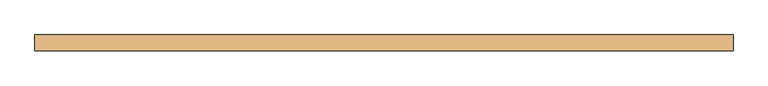
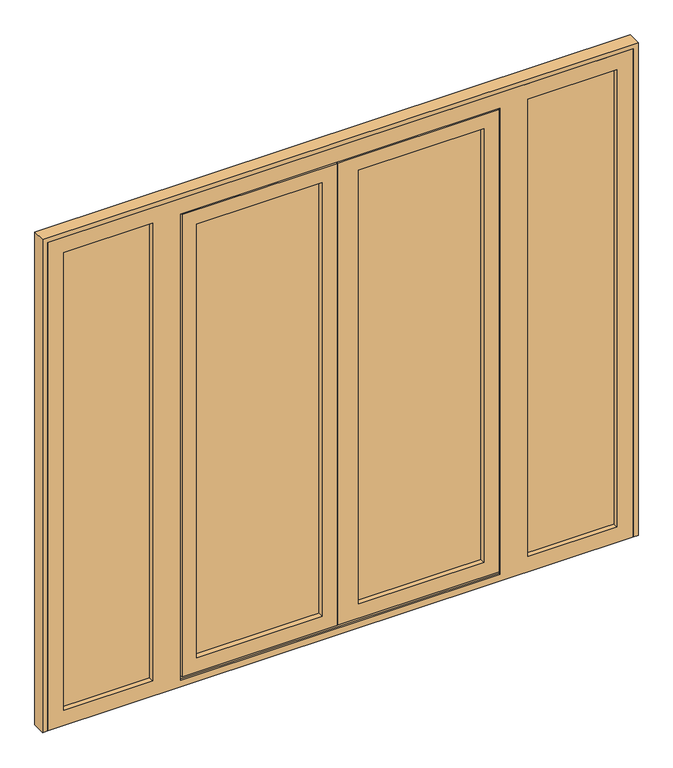
"""IFC4 building model written with IfcOpenShell, lengths in millimetres: door geometry."""

from ifc_helpers import new_model, si_unit, frame, origin, place, context, project, spatial, polyline, outline, extrude, faceted_brep, source, transform, mapped, element, save


def door_e212bdf9(model_context):
    return source(origin(), model_context, "Body", "SolidModel", [
        extrude(outline(polyline([(69.0, 68.0), (-471.5, 68.0), (-471.5, 91.0), (69.0, 91.0), (69.0, 68.0)])), frame((0.0, 0.0, 84.0), z_axis=(0.0, 0.0, 1.0), x_axis=(1.0, 0.0, 0.0)), (0.0, 0.0, 1.0), 1884.0),
        extrude(outline(polyline([(721.5, 68.0), (181.0, 68.0), (181.0, 91.0), (721.5, 91.0), (721.5, 68.0)])), frame((0.0, 0.0, 84.0), z_axis=(0.0, 0.0, 1.0), x_axis=(1.0, 0.0, 0.0)), (0.0, 0.0, 1.0), 1884.0),
        extrude(outline(polyline([(1258.0, 68.0), (863.5, 68.0), (863.5, 91.0), (1258.0, 91.0), (1258.0, 68.0)])), frame((0.0, 0.0, 47.0), z_axis=(0.0, 0.0, 1.0), x_axis=(1.0, 0.0, 0.0)), (0.0, 0.0, 1.0), 1986.0),
        extrude(outline(polyline([(-613.5, 68.0), (-1008.0, 68.0), (-1008.0, 91.0), (-613.5, 91.0), (-613.5, 68.0)])), frame((0.0, 0.0, 47.0), z_axis=(0.0, 0.0, 1.0), x_axis=(1.0, 0.0, 0.0)), (0.0, 0.0, 1.0), 1986.0),
        faceted_brep([(-536.5, 92.0, 19.0), (-536.5, 100.0, 19.0), (134.0, 100.0, 19.0), (134.0, 92.0, 19.0), (-518.5, 92.0, 19.0), (-518.5, 54.0, 19.0), (-527.5, 54.0, 19.0), (-527.5, 92.0, 19.0), (786.5, 92.0, 19.0), (777.5, 92.0, 19.0), (777.5, 54.0, 19.0), (768.5, 54.0, 19.0), (768.5, 92.0, 19.0), (139.0, 92.0, 19.0), (139.0, 100.0, 19.0), (786.5, 100.0, 19.0), (-536.5, 92.0, 2033.0), (-536.5, 100.0, 2033.0), (134.0, 100.0, 2033.0), (-453.5, 100.0, 1950.0), (-453.5, 100.0, 102.0), (51.0, 100.0, 102.0), (51.0, 100.0, 1950.0), (786.5, 100.0, 2033.0), (139.0, 100.0, 2033.0), (703.5, 100.0, 102.0), (703.5, 100.0, 1950.0), (199.0, 100.0, 1950.0), (199.0, 100.0, 102.0), (-453.5, 91.0, 1950.0), (-453.5, 91.0, 102.0), (-471.5, 91.0, 1968.0), (-471.5, 91.0, 84.0), (69.0, 91.0, 84.0), (69.0, 91.0, 1968.0), (51.0, 91.0, 1950.0), (51.0, 91.0, 102.0), (721.5, 91.0, 84.0), (721.5, 91.0, 1968.0), (181.0, 91.0, 1968.0), (181.0, 91.0, 84.0), (703.5, 91.0, 1950.0), (703.5, 91.0, 102.0), (199.0, 91.0, 102.0), (199.0, 91.0, 1950.0), (-471.5, 68.0, 1968.0), (-471.5, 68.0, 84.0), (69.0, 68.0, 1968.0), (69.0, 68.0, 84.0), (-453.5, 68.0, 1950.0), (-453.5, 68.0, 102.0), (51.0, 68.0, 102.0), (51.0, 68.0, 1950.0), (721.5, 68.0, 1968.0), (721.5, 68.0, 84.0), (181.0, 68.0, 84.0), (181.0, 68.0, 1968.0), (703.5, 68.0, 102.0), (703.5, 68.0, 1950.0), (199.0, 68.0, 1950.0), (199.0, 68.0, 102.0), (-453.5, 46.0, 1950.0), (-453.5, 46.0, 102.0), (-513.5, 46.0, 2010.0), (-513.5, 46.0, 42.0), (111.0, 46.0, 42.0), (111.0, 46.0, 2010.0), (51.0, 46.0, 1950.0), (51.0, 46.0, 102.0), (763.5, 46.0, 42.0), (763.5, 46.0, 2010.0), (116.0, 46.0, 2010.0), (116.0, 46.0, 42.0), (703.5, 46.0, 1950.0), (703.5, 46.0, 102.0), (199.0, 46.0, 102.0), (199.0, 46.0, 1950.0), (-513.5, 54.0, 2010.0), (-513.5, 54.0, 42.0), (777.5, 54.0, 2024.0), (-527.5, 54.0, 2024.0), (-518.5, 54.0, 28.0), (768.5, 54.0, 28.0), (763.5, 54.0, 2010.0), (763.5, 54.0, 42.0), (116.0, 54.0, 42.0), (116.0, 54.0, 2010.0), (111.0, 54.0, 42.0), (111.0, 54.0, 2010.0), (-527.5, 92.0, 2024.0), (134.0, 92.0, 2024.0), (134.0, 92.0, 2033.0), (777.5, 92.0, 2024.0), (786.5, 92.0, 2033.0), (139.0, 92.0, 2033.0), (139.0, 92.0, 2024.0), (768.5, 92.0, 28.0), (-518.5, 92.0, 28.0), (134.0, 92.0, 28.0), (139.0, 92.0, 28.0)], [[[0, 1, 2, 3, 4, 5, 6, 7]], [[8, 9, 10, 11, 12, 13, 14, 15]], [[1, 0, 16, 17]], [[1, 17, 18, 2], [19, 20, 21, 22]], [[23, 15, 14, 24], [25, 26, 27, 28]], [[19, 29, 30, 20]], [[31, 32, 33, 34], [30, 29, 35, 36]], [[37, 38, 39, 40], [41, 42, 43, 44]], [[31, 45, 46, 32]], [[46, 45, 47, 48], [49, 50, 51, 52]], [[53, 54, 55, 56], [57, 58, 59, 60]], [[49, 61, 62, 50]], [[63, 64, 65, 66], [62, 61, 67, 68]], [[69, 70, 71, 72], [73, 74, 75, 76]], [[63, 77, 78, 64]], [[10, 79, 80, 6, 5, 81, 82, 11], [83, 84, 85, 86], [87, 78, 77, 88]], [[7, 6, 80, 89]], [[0, 7, 89, 90, 91, 16]], [[92, 9, 8, 93, 94, 95]], [[17, 16, 91, 18]], [[93, 23, 24, 94]], [[29, 19, 22, 35]], [[26, 41, 44, 27]], [[45, 31, 34, 47]], [[38, 53, 56, 39]], [[61, 49, 52, 67]], [[58, 73, 76, 59]], [[77, 63, 66, 88]], [[70, 83, 86, 71]], [[89, 80, 79, 92, 95, 90]], [[15, 23, 93, 8]], [[41, 26, 25, 42]], [[53, 38, 37, 54]], [[73, 58, 57, 74]], [[83, 70, 69, 84]], [[79, 10, 9, 92]], [[20, 30, 36, 21]], [[42, 25, 28, 43]], [[32, 46, 48, 33]], [[54, 37, 40, 55]], [[50, 62, 68, 51]], [[74, 57, 60, 75]], [[82, 96, 12, 11]], [[97, 81, 5, 4]], [[96, 82, 81, 97, 98, 99]], [[64, 78, 87, 65]], [[84, 69, 72, 85]], [[12, 96, 99, 13]], [[97, 4, 3, 98]], [[71, 86, 85, 72]], [[76, 75, 60, 59]], [[39, 56, 55, 40]], [[44, 43, 28, 27]], [[14, 13, 99, 95, 94, 24]], [[90, 95, 99, 98]], [[3, 2, 18, 91, 90, 98]], [[36, 35, 22, 21]], [[47, 34, 33, 48]], [[68, 67, 52, 51]], [[65, 87, 88, 66]]]),
        faceted_brep([(-990.0, 91.0, 65.0), (-990.0, 100.0, 65.0), (-990.0, 100.0, 2015.0), (-990.0, 91.0, 2015.0), (-1008.0, 68.0, 47.0), (-1008.0, 91.0, 47.0), (-1008.0, 91.0, 2033.0), (-1008.0, 68.0, 2033.0), (-990.0, 46.0, 65.0), (-990.0, 68.0, 65.0), (-990.0, 68.0, 2015.0), (-990.0, 46.0, 2015.0), (-1055.0, 100.0, 0.0), (-1055.0, 46.0, 0.0), (-1055.0, 46.0, 2080.0), (-1055.0, 100.0, 2080.0), (-631.5, 100.0, 2015.0), (-631.5, 91.0, 2015.0), (1240.0, 100.0, 2015.0), (1240.0, 91.0, 2015.0), (881.5, 91.0, 2015.0), (881.5, 100.0, 2015.0), (863.5, 91.0, 2033.0), (1258.0, 91.0, 2033.0), (1258.0, 68.0, 2033.0), (863.5, 68.0, 2033.0), (-613.5, 68.0, 2033.0), (-613.5, 91.0, 2033.0), (-631.5, 68.0, 2015.0), (-631.5, 46.0, 2015.0), (1240.0, 68.0, 2015.0), (1240.0, 46.0, 2015.0), (881.5, 46.0, 2015.0), (881.5, 68.0, 2015.0), (-518.5, 54.0, 2015.0), (768.5, 54.0, 2015.0), (768.5, 46.0, 2015.0), (-518.5, 46.0, 2015.0), (1305.0, 100.0, 2080.0), (1305.0, 46.0, 2080.0), (1240.0, 100.0, 65.0), (1240.0, 91.0, 65.0), (1258.0, 91.0, 47.0), (1258.0, 68.0, 47.0), (1240.0, 68.0, 65.0), (1240.0, 46.0, 65.0), (1305.0, 46.0, 0.0), (1305.0, 100.0, 0.0), (791.5, 100.0, 8.0), (-541.5, 100.0, 8.0), (-541.5, 92.0, 8.0), (791.5, 92.0, 8.0), (-541.5, 92.0, 2038.0), (791.5, 92.0, 2038.0), (777.5, 92.0, 28.0), (777.5, 92.0, 2024.0), (-527.5, 92.0, 2024.0), (-527.5, 92.0, 28.0), (-527.5, 54.0, 28.0), (-518.5, 54.0, 28.0), (-518.5, 46.0, 28.0), (768.5, 46.0, 28.0), (768.5, 54.0, 28.0), (777.5, 54.0, 28.0), (-541.5, 100.0, 2038.0), (791.5, 100.0, 2038.0), (777.5, 54.0, 2024.0), (-527.5, 54.0, 2024.0), (-631.5, 100.0, 65.0), (-631.5, 91.0, 65.0), (881.5, 91.0, 65.0), (881.5, 100.0, 65.0), (-613.5, 91.0, 47.0), (863.5, 91.0, 47.0), (-613.5, 68.0, 47.0), (-631.5, 68.0, 65.0), (863.5, 68.0, 47.0), (881.5, 68.0, 65.0), (-631.5, 46.0, 65.0), (881.5, 46.0, 65.0)], [[[0, 1, 2, 3]], [[4, 5, 6, 7]], [[8, 9, 10, 11]], [[12, 13, 14, 15]], [[3, 2, 16, 17]], [[18, 19, 20, 21]], [[22, 23, 24, 25]], [[26, 7, 6, 27]], [[11, 10, 28, 29]], [[30, 31, 32, 33]], [[34, 35, 36, 37]], [[38, 15, 14, 39]], [[19, 18, 40, 41]], [[24, 23, 42, 43]], [[31, 30, 44, 45]], [[38, 39, 46, 47]], [[48, 49, 50, 51]], [[50, 52, 53, 51], [54, 55, 56, 57]], [[54, 57, 58, 59, 60, 61, 62, 63]], [[64, 65, 53, 52]], [[56, 55, 66, 67]], [[37, 60, 59, 34]], [[57, 56, 67, 58]], [[49, 64, 52, 50]], [[16, 68, 69, 17]], [[20, 70, 71, 21]], [[65, 48, 51, 53]], [[55, 54, 63, 66]], [[61, 36, 35, 62]], [[12, 15, 38, 47], [2, 1, 68, 16], [18, 21, 71, 40], [65, 64, 49, 48]], [[1, 0, 69, 68]], [[6, 5, 72, 27], [0, 3, 17, 69]], [[42, 23, 22, 73], [19, 41, 70, 20]], [[72, 5, 4, 74]], [[4, 7, 26, 74], [9, 75, 28, 10]], [[24, 43, 76, 25], [30, 33, 77, 44]], [[9, 8, 78, 75]], [[14, 13, 46, 39], [8, 11, 29, 78], [61, 60, 37, 36], [45, 79, 32, 31]], [[46, 13, 12, 47]], [[41, 40, 71, 70]], [[76, 43, 42, 73]], [[45, 44, 77, 79]], [[27, 72, 74, 26]], [[28, 75, 78, 29]], [[32, 79, 77, 33]], [[73, 22, 25, 76]], [[35, 34, 59, 58, 67, 66, 63, 62]]]),
        extrude(outline(polyline([(2100.0, -1075.0), (0.0, -1075.0), (0.0, -1055.0), (2080.0, -1055.0), (2080.0, 1305.0), (0.0, 1305.0), (0.0, 1325.0), (2100.0, 1325.0), (2100.0, -1075.0)])), frame((0.0, 46.0, 0.0), z_axis=(0.0, 1.0, 0.0), x_axis=(0.0, 0.0, 1.0)), (0.0, 0.0, 1.0), 54.0),
    ])


if __name__ == "__main__":
    model = new_model("IFC4")
    model_context = context("Model", 3, world=origin())
    ifc_project = project(units=[si_unit("LENGTHUNIT", "METRE", prefix="MILLI")], contexts=[model_context])
    site = spatial("IfcSite", under=ifc_project)
    building = spatial("IfcBuilding", under=site)
    placement = place(None, origin())
    door_shape = door_e212bdf9(model_context)
    element("IfcDoor", 1, at=placement, inside=building, context=model_context, shape_type="MappedRepresentation", body=[
        mapped(door_shape, transform((0.0, 0.0, 0.0), x_axis=(1.0, 0.0, 0.0), y_axis=(0.0, 1.0, 0.0), z_axis=(0.0, 0.0, 1.0))),
    ])
    save(model, "model.ifc")
